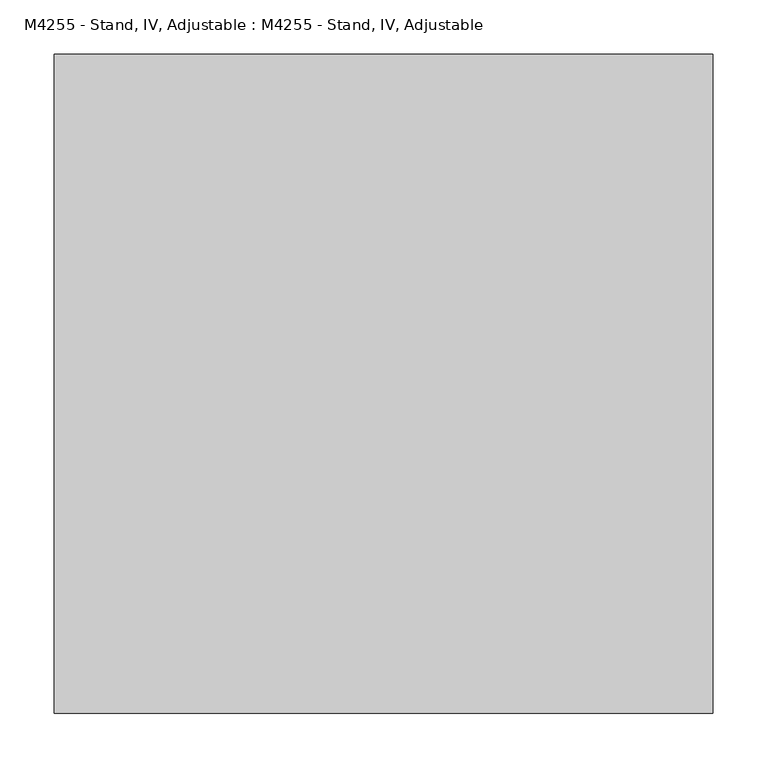
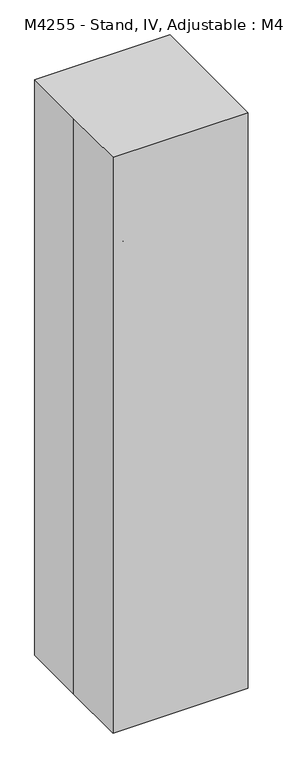
"""IFC4 building model written with IfcOpenShell, lengths in millimetres: proxy geometry, M4255 - Stand, IV, Adjustable : M4255 - Stand, IV, Adjustable."""

import ifcopenshell
import ifcopenshell.guid

model = None  # the IFC model being written
_history = None  # IfcOwnerHistory: only IFC2X3 demands one
_inside = {}  # id of a spatial element -> (the spatial element, [elements in it])
_under = {}  # id of a project, library or spatial element -> (it, [spatial elements below it])
_declared = {}  # id of a project -> (the project, [libraries it declares])
_typed = {}  # id of a type object -> (the type object, [elements of that type])
_made_of = {}  # id of a material, layer set ... -> (it, [elements and type objects made of it])


def new_model(schema):
    """Start an empty IFC model of exactly this schema.

    Asked for "IFC4X3", IfcOpenShell would pick the latest addendum, in which some entities
    have other attributes; the version numbers below select the first issue.
    IFC2X3 requires an IfcOwnerHistory on every rooted entity: one is made here for all.
    """
    global model, _history
    if schema == "IFC4X3":
        model = ifcopenshell.file(schema_version=(4, 3, 0, 0))
    else:
        model = ifcopenshell.file(schema=schema)
    _inside.clear()
    _under.clear()
    _declared.clear()
    _typed.clear()
    _made_of.clear()
    _history = None
    if model.schema == "IFC2X3":
        org = make("IfcOrganization", Name="unknown")
        user = make(
            "IfcPersonAndOrganization",
            ThePerson=make("IfcPerson", FamilyName="unknown"),
            TheOrganization=org,
        )
        app = make(
            "IfcApplication",
            ApplicationDeveloper=org,
            Version="unknown",
            ApplicationFullName="unknown",
            ApplicationIdentifier="unknown",
        )
        _history = make(
            "IfcOwnerHistory",
            OwningUser=user,
            OwningApplication=app,
            ChangeAction="ADDED",
            CreationDate=0,
        )
    return model


def make(cls, **values):
    """One entity of the class cls with the attributes given. An attribute that is None is left unset."""
    return model.create_entity(
        cls, **{name: value for name, value in values.items() if value is not None}
    )


def rooted(cls, **values):
    """An entity with a GlobalId (a new one), such as an element, a storey or a relation."""
    return make(cls, GlobalId=ifcopenshell.guid.new(), OwnerHistory=_history, **values)


def si_unit(unit_type, name, prefix=None):
    """IfcSIUnit, for example si_unit("LENGTHUNIT", "METRE", prefix="MILLI")."""
    return make("IfcSIUnit", UnitType=unit_type, Prefix=prefix, Name=name)


def assignment(units):
    """IfcUnitAssignment: the units of a project."""
    return None if units is None else make("IfcUnitAssignment", Units=units)


def point(xyz):
    """IfcCartesianPoint."""
    return None if xyz is None else make("IfcCartesianPoint", Coordinates=xyz)


def direction(xyz):
    """IfcDirection."""
    return None if xyz is None else make("IfcDirection", DirectionRatios=xyz)


def frame(location, z_axis=None, x_axis=None):
    """IfcAxis2Placement3D, a coordinate frame: its origin and axes. An axis left out is left unset."""
    return make(
        "IfcAxis2Placement3D",
        Location=point(location),
        Axis=direction(z_axis),
        RefDirection=direction(x_axis),
    )


def frame_2d(location, x_axis=None):
    """IfcAxis2Placement2D, a coordinate frame in the plane: its origin and x axis."""
    return make(
        "IfcAxis2Placement2D", Location=point(location), RefDirection=direction(x_axis)
    )


def origin():
    """The frame at (0, 0, 0) with its axes left unset."""
    return frame((0.0, 0.0, 0.0))


def origin_with_axes():
    """The frame at (0, 0, 0) with the z axis (0, 0, 1) and the x axis (1, 0, 0) written out."""
    return frame((0.0, 0.0, 0.0), z_axis=(0.0, 0.0, 1.0), x_axis=(1.0, 0.0, 0.0))


def origin_2d():
    """The frame at (0, 0) in the plane with its x axis left unset."""
    return frame_2d((0.0, 0.0))


def place(relative_to, where):
    """IfcLocalPlacement: puts the frame where relative to a parent placement (None: the world)."""
    return make(
        "IfcLocalPlacement", PlacementRelTo=relative_to, RelativePlacement=where
    )


def context(
    kind, dimensions, precision=None, world=None, true_north=None, identifier=None
):
    """IfcGeometricRepresentationContext, for example the 3D "Model" context."""
    return make(
        "IfcGeometricRepresentationContext",
        ContextIdentifier=identifier,
        ContextType=kind,
        CoordinateSpaceDimension=dimensions,
        Precision=precision,
        WorldCoordinateSystem=world,
        TrueNorth=true_north,
    )


def project(units=None, contexts=None):
    """IfcProject with its units and contexts."""
    return rooted(
        "IfcProject",
        Name="project",
        RepresentationContexts=contexts,
        UnitsInContext=assignment(units),
    )


def spatial(cls, under=None, at=None, **own):
    """A site, building, storey or space (cls), placed at a placement, below another one or the project."""
    s = rooted(cls, ObjectPlacement=at, **own)
    if under is not None:
        _under.setdefault(under.id(), (under, []))[1].append(s)
    return s


def polyline(points):
    """IfcPolyline through the points."""
    return make("IfcPolyline", Points=[point(p) for p in points])


def circle_curve(where, radius):
    """IfcCircle in the frame where."""
    return make("IfcCircle", Position=where, Radius=radius)


def ellipse_curve(where, semi_axis1, semi_axis2):
    """IfcEllipse in the frame where."""
    return make(
        "IfcEllipse", Position=where, SemiAxis1=semi_axis1, SemiAxis2=semi_axis2
    )


def trimmed(basis, trim1, trim2, sense, master):
    """IfcTrimmedCurve: the piece of a basis curve between two trims."""
    return make(
        "IfcTrimmedCurve",
        BasisCurve=basis,
        Trim1=trim1,
        Trim2=trim2,
        SenseAgreement=sense,
        MasterRepresentation=master,
    )


def segment(curve, same_sense, transition):
    """IfcCompositeCurveSegment."""
    return make(
        "IfcCompositeCurveSegment",
        Transition=transition,
        SameSense=same_sense,
        ParentCurve=curve,
    )


def composite_curve(segments, self_intersect=None):
    """IfcCompositeCurve: segments joined end to end."""
    return make("IfcCompositeCurve", Segments=segments, SelfIntersect=self_intersect)


def outline(outer, holes=None, kind="AREA"):
    """IfcArbitraryClosedProfileDef: a profile drawn as a closed curve; with holes, ...WithVoids."""
    if holes is None:
        return make("IfcArbitraryClosedProfileDef", ProfileType=kind, OuterCurve=outer)
    return make(
        "IfcArbitraryProfileDefWithVoids",
        ProfileType=kind,
        OuterCurve=outer,
        InnerCurves=holes,
    )


def extrude(swept, where, along, depth):
    """IfcExtrudedAreaSolid: the profile swept, set in the frame where, extruded along a direction by depth."""
    return make(
        "IfcExtrudedAreaSolid",
        SweptArea=swept,
        Position=where,
        ExtrudedDirection=direction(along),
        Depth=depth,
    )


def shape(context_of_items, identifier, shape_type, items):
    """IfcShapeRepresentation: the items that make up one representation, for example the "Body"."""
    return make(
        "IfcShapeRepresentation",
        ContextOfItems=context_of_items,
        RepresentationIdentifier=identifier,
        RepresentationType=shape_type,
        Items=items,
    )


def source(mapping_origin, context_of_items, identifier, shape_type, items):
    """IfcRepresentationMap: a shape defined once, which mapped items show again and again."""
    return make(
        "IfcRepresentationMap",
        MappingOrigin=mapping_origin,
        MappedRepresentation=shape(context_of_items, identifier, shape_type, items),
    )


def transform(
    local_origin,
    x_axis=None,
    y_axis=None,
    z_axis=None,
    scale=None,
    scale2=None,
    scale3=None,
    uniform=True,
):
    """IfcCartesianTransformationOperator3D, or its non-uniform kind. x_axis, y_axis, z_axis: its Axis1, 2, 3."""
    if uniform:
        return make(
            "IfcCartesianTransformationOperator3D",
            Axis1=direction(x_axis),
            Axis2=direction(y_axis),
            LocalOrigin=point(local_origin),
            Scale=scale,
            Axis3=direction(z_axis),
        )
    return make(
        "IfcCartesianTransformationOperator3DnonUniform",
        Axis1=direction(x_axis),
        Axis2=direction(y_axis),
        LocalOrigin=point(local_origin),
        Scale=scale,
        Axis3=direction(z_axis),
        Scale2=scale2,
        Scale3=scale3,
    )


def mapped(mapping_source, mapping_target):
    """IfcMappedItem: shows the shape of a source again, moved by a transform."""
    return make(
        "IfcMappedItem", MappingSource=mapping_source, MappingTarget=mapping_target
    )


def made_of(thing, what):
    """Note that an element or type object is made of a material, layer set ...; save() writes the relation."""
    if what is not None:
        _made_of.setdefault(what.id(), (what, []))[1].append(thing)
    return thing


def element(
    cls,
    number,
    at=None,
    inside=None,
    cuts=None,
    type_object=None,
    material=None,
    context=None,
    identifier="Body",
    shape_type=None,
    held_by="IfcProductDefinitionShape",
    body=None,
    shapes=None,
    **own,
):
    """One element of the class cls, such as IfcWall. Its Tag is "e" and its number.

    at: its placement. inside: the storey or other place that contains it. cuts: it is an
    opening in that element (IfcRelVoidsElement). A single representation is given by context,
    identifier, shape_type and body (its items); several are given by shapes. held_by: the class
    of the entity that holds the representations. save() writes the other relations.
    """
    e = rooted(cls, Tag="e%d" % number, ObjectPlacement=at, **own)
    if body is not None:
        shapes = [shape(context, identifier, shape_type, body)]
    if shapes is not None:
        e.Representation = make(held_by, Representations=shapes)
    if inside is not None:
        _inside.setdefault(inside.id(), (inside, []))[1].append(e)
    if cuts is not None:
        rooted(
            "IfcRelVoidsElement", RelatingBuildingElement=cuts, RelatedOpeningElement=e
        )
    if type_object is not None:
        _typed.setdefault(type_object.id(), (type_object, []))[1].append(e)
    return made_of(e, material)


def aggregate(whole, parts):
    """IfcRelAggregates: a whole, such as a stair, and the parts it consists of."""
    return rooted("IfcRelAggregates", RelatingObject=whole, RelatedObjects=parts)


def save(model, path):
    """Write the relations noted so far, then the file.

    IfcRelAggregates (storeys below a building ...), IfcRelContainedInSpatialStructure (elements
    in a storey), IfcRelDefinesByType, IfcRelAssociatesMaterial and IfcRelDeclares: one each for
    every whole, place, type object, material and project.
    """
    for whole, parts in _under.values():
        aggregate(whole, parts)
    for where, things in _inside.values():
        rooted(
            "IfcRelContainedInSpatialStructure",
            RelatedElements=things,
            RelatingStructure=where,
        )
    for kind, things in _typed.values():
        rooted("IfcRelDefinesByType", RelatedObjects=things, RelatingType=kind)
    for what, things in _made_of.values():
        rooted("IfcRelAssociatesMaterial", RelatedObjects=things, RelatingMaterial=what)
    for by, libraries in _declared.values():
        rooted("IfcRelDeclares", RelatingContext=by, RelatedDefinitions=libraries)
    model.write(path)


def plane_surface(at):
    """IfcPlane: the flat surface through the origin of the frame at, square to its z axis."""
    return make("IfcPlane", Position=at)


def cylinder_surface(at, radius):
    """IfcCylindricalSurface: all points at the distance radius from the z axis of the frame at."""
    return make("IfcCylindricalSurface", Position=at, Radius=radius)


def revolved_surface(curve, axis_point, axis_direction):
    """IfcSurfaceOfRevolution: the curve turned about the line through axis_point along axis_direction."""
    return make(
        "IfcSurfaceOfRevolution",
        SweptCurve=make("IfcArbitraryOpenProfileDef", ProfileType="CURVE", Curve=curve),
        AxisPosition=make("IfcAxis1Placement", Location=point(axis_point), Axis=direction(axis_direction)),
    )


def advanced_brep(points, edges, surfaces, faces):
    """IfcAdvancedBrep: a solid bounded by faces that lie on surfaces and meet in shared edges.

    An edge is (start, end): straight between two places in points (the first is 0);
    or (start, end, curve); or (start, end, curve, False) where it runs against its curve.
    A face is (place in surfaces, loops), or (place, loops, False) where it looks against
    its surface's normal. A loop lists edges by number (the first is 1), with a minus sign
    where the edge is run from its end to its start. The first loop is the outer one.
    """
    corners = [point(p) for p in points]
    vertices = [make("IfcVertexPoint", VertexGeometry=c) for c in corners]
    made = []
    for start, end, *more in edges:
        made.append(
            make(
                "IfcEdgeCurve",
                EdgeStart=vertices[start],
                EdgeEnd=vertices[end],
                EdgeGeometry=more[0] if more else make("IfcPolyline", Points=[corners[start], corners[end]]),
                SameSense=more[1] if len(more) > 1 else True,
            )
        )
    hull = []
    for where, loops, *sense in faces:
        bounds = []
        for j, loop in enumerate(loops):
            ring = [make("IfcOrientedEdge", EdgeElement=made[abs(k) - 1], Orientation=k > 0) for k in loop]
            bounds.append(
                make(
                    "IfcFaceOuterBound" if j == 0 else "IfcFaceBound",
                    Bound=make("IfcEdgeLoop", EdgeList=ring),
                    Orientation=True,
                )
            )
        hull.append(make("IfcAdvancedFace", Bounds=bounds, FaceSurface=surfaces[where], SameSense=sense[0] if sense else True))
    return make("IfcAdvancedBrep", Outer=make("IfcClosedShell", CfsFaces=hull))


def m4255_stand_iv_adjustable_m4255_stand_iv_adjustable_63ed0e32(model_context):
    return source(origin(), model_context, "Body", "SolidModel", [
        extrude(outline(composite_curve([segment(trimmed(circle_curve(frame_2d((25.4, -203.0677083)), 25.4), [point((25.4, -177.6677083))], [point((25.4, -228.4677083))], False, "CARTESIAN"), True, "CONTINUOUS"), segment(trimmed(circle_curve(frame_2d((25.4, -203.0677083)), 25.4), [point((25.4, -228.4677083))], [point((25.4, -177.6677083))], False, "CARTESIAN"), True, "CONTINUOUS")], self_intersect=False)), frame((0.0, -19.05, 0.0), z_axis=(0.0, 1.0, 0.0), x_axis=(0.0, 0.0, 1.0)), (0.0, 0.0, 1.0), 9.525),
        extrude(outline(composite_curve([segment(trimmed(circle_curve(frame_2d((25.4, -203.0677083)), 25.4), [point((25.4, -177.6677083))], [point((25.4, -228.4677083))], False, "CARTESIAN"), True, "CONTINUOUS"), segment(trimmed(circle_curve(frame_2d((25.4, -203.0677083)), 25.4), [point((25.4, -228.4677083))], [point((25.4, -177.6677083))], False, "CARTESIAN"), True, "CONTINUOUS")], self_intersect=False)), frame((0.0, 9.525, 0.0), z_axis=(0.0, 1.0, 0.0), x_axis=(0.0, 0.0, 1.0)), (0.0, 0.0, 1.0), 9.525),
        extrude(outline(composite_curve([segment(trimmed(circle_curve(frame_2d((-203.0677083, 25.4)), 25.4), [point((-228.4677083, 25.4))], [point((-177.6677083, 25.4))], False, "CARTESIAN"), True, "CONTINUOUS"), segment(trimmed(circle_curve(frame_2d((-203.0677083, 25.4)), 25.4), [point((-177.6677083, 25.4))], [point((-228.4677083, 25.4))], False, "CARTESIAN"), True, "CONTINUOUS")], self_intersect=False)), frame((9.525, 0.0, 0.0), z_axis=(1.0, 0.0, 0.0), x_axis=(0.0, 1.0, 0.0)), (0.0, 0.0, 1.0), 9.525),
        extrude(outline(composite_curve([segment(trimmed(circle_curve(frame_2d((-203.0677083, 25.4)), 25.4), [point((-177.6677083, 25.4))], [point((-228.4677083, 25.4))], False, "CARTESIAN"), True, "CONTINUOUS"), segment(trimmed(circle_curve(frame_2d((-203.0677083, 25.4)), 25.4), [point((-228.4677083, 25.4))], [point((-177.6677083, 25.4))], False, "CARTESIAN"), True, "CONTINUOUS")], self_intersect=False)), frame((-19.05, 0.0, 0.0), z_axis=(1.0, 0.0, 0.0), x_axis=(0.0, 1.0, 0.0)), (0.0, 0.0, 1.0), 9.525),
        extrude(outline(composite_curve([segment(trimmed(circle_curve(frame_2d((25.4, 203.2661458)), 25.4), [point((25.4, 228.6661458))], [point((25.4, 177.8661458))], False, "CARTESIAN"), True, "CONTINUOUS"), segment(trimmed(circle_curve(frame_2d((25.4, 203.2661458)), 25.4), [point((25.4, 177.8661458))], [point((25.4, 228.6661458))], False, "CARTESIAN"), True, "CONTINUOUS")], self_intersect=False)), frame((0.0, 9.525, 0.0), z_axis=(0.0, 1.0, 0.0), x_axis=(0.0, 0.0, 1.0)), (0.0, 0.0, 1.0), 9.525),
        extrude(outline(composite_curve([segment(trimmed(circle_curve(frame_2d((25.4, 203.2661458)), 25.4), [point((25.4, 177.8661458))], [point((25.4, 228.6661458))], False, "CARTESIAN"), True, "CONTINUOUS"), segment(trimmed(circle_curve(frame_2d((25.4, 203.2661458)), 25.4), [point((25.4, 228.6661458))], [point((25.4, 177.8661458))], False, "CARTESIAN"), True, "CONTINUOUS")], self_intersect=False)), frame((0.0, -19.05, 0.0), z_axis=(0.0, 1.0, 0.0), x_axis=(0.0, 0.0, 1.0)), (0.0, 0.0, 1.0), 9.525),
        extrude(outline(composite_curve([segment(trimmed(circle_curve(frame_2d((0.0, -211.534375)), 8.4666667), [point((-8.4666667, -211.534375))], [point((8.4666667, -211.534375))], False, "CARTESIAN"), True, "CONTINUOUS"), segment(trimmed(circle_curve(frame_2d((0.0, -211.534375)), 8.4666667), [point((8.4666667, -211.534375))], [point((-8.4666667, -211.534375))], False, "CARTESIAN"), True, "CONTINUOUS")], self_intersect=False)), frame((0.0, 0.0, 25.4), z_axis=(0.0, 0.0, 1.0), x_axis=(1.0, 0.0, 0.0)), (0.0, 0.0, 1.0), 25.4),
        extrude(outline(composite_curve([segment(trimmed(circle_curve(frame_2d((-203.0677083, 25.4)), 16.9333333), [point((-186.134375, 25.4))], [point((-220.0010417, 25.4))], False, "CARTESIAN"), True, "CONTINUOUS"), segment(trimmed(circle_curve(frame_2d((-203.0677083, 25.4)), 16.9333333), [point((-220.0010417, 25.4))], [point((-186.134375, 25.4))], False, "CARTESIAN"), True, "CONTINUOUS")], self_intersect=False)), frame((-9.525, 0.0, 0.0), z_axis=(1.0, 0.0, 0.0), x_axis=(0.0, 1.0, 0.0)), (0.0, 0.0, 1.0), 19.05),
        extrude(outline(composite_curve([segment(trimmed(circle_curve(frame_2d((211.7328125, 0.0)), 8.4666667), [point((211.7328125, -8.4666667))], [point((211.7328125, 8.4666667))], False, "CARTESIAN"), True, "CONTINUOUS"), segment(trimmed(circle_curve(frame_2d((211.7328125, 0.0)), 8.4666667), [point((211.7328125, 8.4666667))], [point((211.7328125, -8.4666667))], False, "CARTESIAN"), True, "CONTINUOUS")], self_intersect=False)), frame((0.0, 0.0, 25.4), z_axis=(0.0, 0.0, 1.0), x_axis=(1.0, 0.0, 0.0)), (0.0, 0.0, 1.0), 25.4),
        extrude(outline(composite_curve([segment(trimmed(circle_curve(frame_2d((25.4, 203.2661458)), 16.9333333), [point((25.4, 186.3328125))], [point((25.4, 220.1994792))], False, "CARTESIAN"), True, "CONTINUOUS"), segment(trimmed(circle_curve(frame_2d((25.4, 203.2661458)), 16.9333333), [point((25.4, 220.1994792))], [point((25.4, 186.3328125))], False, "CARTESIAN"), True, "CONTINUOUS")], self_intersect=False)), frame((0.0, -9.525, 0.0), z_axis=(0.0, 1.0, 0.0), x_axis=(0.0, 0.0, 1.0)), (0.0, 0.0, 1.0), 19.05),
        extrude(outline(composite_curve([segment(trimmed(circle_curve(frame_2d((-211.534375, 0.0)), 8.4666667), [point((-211.534375, 8.4666667))], [point((-211.534375, -8.4666667))], False, "CARTESIAN"), True, "CONTINUOUS"), segment(trimmed(circle_curve(frame_2d((-211.534375, 0.0)), 8.4666667), [point((-211.534375, -8.4666667))], [point((-211.534375, 8.4666667))], False, "CARTESIAN"), True, "CONTINUOUS")], self_intersect=False)), frame((0.0, 0.0, 25.4), z_axis=(0.0, 0.0, 1.0), x_axis=(1.0, 0.0, 0.0)), (0.0, 0.0, 1.0), 25.4),
        extrude(outline(composite_curve([segment(trimmed(circle_curve(frame_2d((25.4, -203.0677083)), 16.9333333), [point((25.4, -186.134375))], [point((25.4, -220.0010417))], False, "CARTESIAN"), True, "CONTINUOUS"), segment(trimmed(circle_curve(frame_2d((25.4, -203.0677083)), 16.9333333), [point((25.4, -220.0010417))], [point((25.4, -186.134375))], False, "CARTESIAN"), True, "CONTINUOUS")], self_intersect=False)), frame((0.0, -9.525, 0.0), z_axis=(0.0, 1.0, 0.0), x_axis=(0.0, 0.0, 1.0)), (0.0, 0.0, 1.0), 19.05),
        extrude(outline(composite_curve([segment(trimmed(circle_curve(frame_2d((203.2165365, 25.4)), 25.4), [point((177.8165365, 25.4))], [point((228.6165365, 25.4))], False, "CARTESIAN"), True, "CONTINUOUS"), segment(trimmed(circle_curve(frame_2d((203.2165365, 25.4)), 25.4), [point((228.6165365, 25.4))], [point((177.8165365, 25.4))], False, "CARTESIAN"), True, "CONTINUOUS")], self_intersect=False)), frame((-19.05, 0.0, 0.0), z_axis=(1.0, 0.0, 0.0), x_axis=(0.0, 1.0, 0.0)), (0.0, 0.0, 1.0), 9.525),
        extrude(outline(composite_curve([segment(trimmed(circle_curve(frame_2d((203.2165365, 25.4)), 25.4), [point((177.8165365, 25.4))], [point((228.6165365, 25.4))], False, "CARTESIAN"), True, "CONTINUOUS"), segment(trimmed(circle_curve(frame_2d((203.2165365, 25.4)), 25.4), [point((228.6165365, 25.4))], [point((177.8165365, 25.4))], False, "CARTESIAN"), True, "CONTINUOUS")], self_intersect=False)), frame((9.525, 0.0, 0.0), z_axis=(1.0, 0.0, 0.0), x_axis=(0.0, 1.0, 0.0)), (0.0, 0.0, 1.0), 9.525),
        extrude(outline(composite_curve([segment(trimmed(circle_curve(frame_2d((0.0, 211.6832031)), 8.4666667), [point((8.4666667, 211.6832031))], [point((-8.4666667, 211.6832031))], False, "CARTESIAN"), True, "CONTINUOUS"), segment(trimmed(circle_curve(frame_2d((0.0, 211.6832031)), 8.4666667), [point((-8.4666667, 211.6832031))], [point((8.4666667, 211.6832031))], False, "CARTESIAN"), True, "CONTINUOUS")], self_intersect=False)), frame((0.0, 0.0, 25.4), z_axis=(0.0, 0.0, 1.0), x_axis=(1.0, 0.0, 0.0)), (0.0, 0.0, 1.0), 25.4),
        extrude(outline(composite_curve([segment(trimmed(circle_curve(frame_2d((203.2165365, 25.4)), 16.9333333), [point((186.2832031, 25.4))], [point((220.1498698, 25.4))], False, "CARTESIAN"), True, "CONTINUOUS"), segment(trimmed(circle_curve(frame_2d((203.2165365, 25.4)), 16.9333333), [point((220.1498698, 25.4))], [point((186.2832031, 25.4))], False, "CARTESIAN"), True, "CONTINUOUS")], self_intersect=False)), frame((-9.525, 0.0, 0.0), z_axis=(1.0, 0.0, 0.0), x_axis=(0.0, 1.0, 0.0)), (0.0, 0.0, 1.0), 19.05),
        extrude(outline(polyline([(228.6, 63.5), (228.6, 50.8), (193.8216772, 50.8), (45.6550105, 12.7), (-45.6550105, 12.7), (-193.8216772, 50.8), (-228.6, 50.8), (-228.6, 63.5), (-192.6166667, 63.5), (-44.45, 25.4), (44.45, 25.4), (192.6166667, 63.5), (228.6, 63.5)])), frame((-19.05, 0.0, 0.0), z_axis=(1.0, 0.0, 0.0), x_axis=(0.0, 1.0, 0.0)), (0.0, 0.0, 1.0), 38.1),
        extrude(outline(composite_curve([segment(trimmed(circle_curve(origin_2d(), 12.7), [point((-12.7, 0.0))], [point((12.7, 0.0))], False, "CARTESIAN"), True, "CONTINUOUS"), segment(trimmed(circle_curve(origin_2d(), 12.7), [point((12.7, 0.0))], [point((-12.7, 0.0))], False, "CARTESIAN"), True, "CONTINUOUS")], self_intersect=False)), frame((0.0, 0.0, 12.7), z_axis=(0.0, 0.0, 1.0), x_axis=(1.0, 0.0, 0.0)), (0.0, 0.0, 1.0), 1473.2),
        extrude(outline(polyline([(63.5, -228.6), (50.8, -228.6), (50.8, -193.8216772), (12.7, -45.6550105), (12.7, 45.6550105), (50.8, 193.8216772), (50.8, 228.6), (63.5, 228.6), (63.5, 192.6166667), (25.4, 44.45), (25.4, -44.45), (63.5, -192.6166667), (63.5, -228.6)])), frame((0.0, -19.05, 0.0), z_axis=(0.0, 1.0, 0.0), x_axis=(0.0, 0.0, 1.0)), (0.0, 0.0, 1.0), 38.1),
        extrude(outline(composite_curve([segment(trimmed(circle_curve(origin_2d(), 6.35), [point((-6.35, 0.0))], [point((6.35, 0.0))], False, "CARTESIAN"), True, "CONTINUOUS"), segment(trimmed(circle_curve(origin_2d(), 6.35), [point((6.35, 0.0))], [point((-6.35, 0.0))], False, "CARTESIAN"), True, "CONTINUOUS")], self_intersect=False)), frame((0.0, 0.0, 1485.9), z_axis=(0.0, 0.0, 1.0), x_axis=(1.0, 0.0, 0.0)), (0.0, 0.0, 1.0), 495.3),
        advanced_brep(
        [(0.0, -117.4754217, 1962.0563468), (0.0, -111.8996536, 1954.3338837), (0.0, -129.4777585, 1941.6421511), (0.0, -135.0535266, 1949.3646141), (0.0, -139.7, 1973.2625), (0.0, -139.7, 1963.7375), (0.0, 139.7, 1973.2625), (0.0, 139.7, 1963.7375), (0.0, 129.4777585, 1941.6421511), (0.0, 135.0535266, 1949.3646141), (0.0, 117.4754217, 1962.0563468), (0.0, 111.8996536, 1954.3338837)],
        [
            (0, 1, circle_curve(frame((0.0, -114.6875376, 1958.1951153), z_axis=(0.0, 0.8107572744902805, 0.5853824748496423), x_axis=(0.0, 0.5853824748496423, -0.8107572744902805)), 4.7625)),
            (1, 0, circle_curve(frame((0.0, -114.6875376, 1958.1951153), z_axis=(0.0, 0.8107572744902805, 0.5853824748496423), x_axis=(0.0, 0.5853824748496423, -0.8107572744902805)), 4.7625)),
            (1, 2),
            (2, 3, circle_curve(frame((0.0, -132.2656426, 1945.5033826), z_axis=(0.0, 0.8107572744902805, 0.5853824748496423), x_axis=(0.0, 0.5853824748496423, -0.8107572744902805)), 4.7625)),
            (3, 0),
            (3, 2, circle_curve(frame((0.0, -132.2656426, 1945.5033826), z_axis=(0.0, 0.8107572744902805, 0.5853824748496423), x_axis=(0.0, 0.5853824748496423, -0.8107572744902805)), 4.7625)),
            (4, 5, circle_curve(frame((0.0, -139.7, 1968.5), z_axis=(0.0, -1.0, 0.0), x_axis=(0.0, 0.0, 1.0)), 4.7625)),
            (5, 3, circle_curve(frame((0.0, -139.7, 1955.8), z_axis=(1.0, 0.0, 0.0), x_axis=(0.0, 0.5853824748496388, -0.810757274490283)), 7.9375)),
            (2, 4, circle_curve(frame((0.0, -139.7, 1955.8), z_axis=(-1.0, 0.0, 0.0), x_axis=(0.0, 0.5853824748496388, -0.810757274490283)), 17.4625)),
            (5, 4, circle_curve(frame((0.0, -139.7, 1968.5), z_axis=(0.0, -1.0, 0.0), x_axis=(0.0, 0.0, 1.0)), 4.7625)),
            (4, 6),
            (6, 7, circle_curve(frame((0.0, 139.7, 1968.5), z_axis=(0.0, -1.0, 0.0), x_axis=(0.0, 0.0, 1.0)), 4.7625)),
            (7, 5),
            (7, 6, circle_curve(frame((0.0, 139.7, 1968.5), z_axis=(0.0, -1.0, 0.0), x_axis=(0.0, 0.0, 1.0)), 4.7625)),
            (8, 9, circle_curve(frame((0.0, 132.2656426, 1945.5033826), z_axis=(0.0, 0.8107572744895695, -0.5853824748506269), x_axis=(0.0, -0.5853824748506269, -0.8107572744895695)), 4.7625)),
            (9, 7, circle_curve(frame((0.0, 139.7, 1955.8), z_axis=(1.0, 0.0, 0.0), x_axis=(0.0, 0.0, 1.0)), 7.9375)),
            (6, 8, circle_curve(frame((0.0, 139.7, 1955.8), z_axis=(-1.0, 0.0, 0.0), x_axis=(0.0, 0.0, 1.0)), 17.4625)),
            (9, 8, circle_curve(frame((0.0, 132.2656426, 1945.5033826), z_axis=(0.0, 0.810757274490613, -0.5853824748491816), x_axis=(0.0, -0.5853824748491816, -0.810757274490613)), 4.7625)),
            (10, 11, circle_curve(frame((0.0, 114.6875376, 1958.1951153), z_axis=(0.0, -0.8107572744898955, 0.5853824748501754), x_axis=(0.0, -0.5853824748501754, -0.8107572744898955)), 4.7625)),
            (11, 10, circle_curve(frame((0.0, 114.6875376, 1958.1951153), z_axis=(0.0, -0.8107572744898955, 0.5853824748501754), x_axis=(0.0, -0.5853824748501754, -0.8107572744898955)), 4.7625)),
            (8, 11),
            (10, 9),
        ],
        [
            plane_surface(frame((266.7, -114.6875376, 1958.1951153), z_axis=(0.0, 0.8107572744902805, 0.5853824748496423), x_axis=(-1.0, 0.0, 0.0))),
            cylinder_surface(frame((0.0, -114.6875376, 1958.1951153), z_axis=(0.0, 0.8107572744902805, 0.5853824748496423), x_axis=(0.0, 0.5853824748496423, -0.8107572744902805)), 4.7625),
            revolved_surface(trimmed(ellipse_curve(frame((0.0, -132.2656426, 1945.5033826), z_axis=(0.0, -0.810757274490283, -0.5853824748496388), x_axis=(0.0, 0.5853824748496388, -0.810757274490283)), 4.7625, 4.7625), [point((0.0, -135.0535266, 1949.3646141))], [point((0.0, -129.4777585, 1941.6421511))], True, "CARTESIAN"), (266.7, -139.7, 1955.8), (1.0, 0.0, 0.0)),
            revolved_surface(trimmed(ellipse_curve(frame((0.0, -132.2656426, 1945.5033826), z_axis=(0.0, -0.810757274490283, -0.5853824748496388), x_axis=(0.0, 0.5853824748496388, -0.810757274490283)), 4.7625, 4.7625), [point((0.0, -129.4777585, 1941.6421511))], [point((0.0, -135.0535266, 1949.3646141))], True, "CARTESIAN"), (266.7, -139.7, 1955.8), (1.0, 0.0, 0.0)),
            cylinder_surface(frame((0.0, -139.7, 1968.5), z_axis=(0.0, -1.0, 0.0), x_axis=(0.0, 0.0, 1.0)), 4.7625),
            revolved_surface(trimmed(ellipse_curve(frame((0.0, 139.7, 1968.5), z_axis=(0.0, 1.0, 0.0), x_axis=(0.0, 0.0, 1.0)), 4.7625, 4.7625), [point((0.0, 139.7, 1963.7375))], [point((0.0, 139.7, 1973.2625))], True, "CARTESIAN"), (266.7, 139.7, 1955.8), (1.0, 0.0, 0.0)),
            revolved_surface(trimmed(ellipse_curve(frame((0.0, 139.7, 1968.5), z_axis=(0.0, 1.0, 0.0), x_axis=(0.0, 0.0, 1.0)), 4.7625, 4.7625), [point((0.0, 139.7, 1973.2625))], [point((0.0, 139.7, 1963.7375))], True, "CARTESIAN"), (266.7, 139.7, 1955.8), (1.0, 0.0, 0.0)),
            plane_surface(frame((266.7, 114.6875376, 1958.1951153), z_axis=(0.0, -0.8107572744898955, 0.5853824748501754), x_axis=(-1.0, 0.0, 0.0))),
            cylinder_surface(frame((0.0, 132.2656426, 1945.5033826), z_axis=(0.0, 0.8107572744898955, -0.5853824748501754), x_axis=(0.0, -0.5853824748501754, -0.8107572744898955)), 4.7625),
        ],
        [
            (0, [[1, 2]]),
            (1, [[3, 4, 5, -2]]),
            (1, [[-5, 6, -3, -1]]),
            (2, [[7, 8, -4, 9]]),
            (3, [[10, -9, -6, -8]]),
            (4, [[11, 12, 13, -7]]),
            (4, [[-13, 14, -11, -10]]),
            (5, [[15, 16, -12, 17]]),
            (6, [[18, -17, -14, -16]]),
            (7, [[19, 20]]),
            (8, [[21, -19, 22, -15]]),
            (8, [[-22, -20, -21, -18]]),
        ],
    ),
        advanced_brep(
        [(-117.4754217, 0.0, 1962.0563468), (-111.8996536, 0.0, 1954.3338837), (-129.4777585, 0.0, 1941.6421511), (-135.0535266, 0.0, 1949.3646141), (-139.7, 0.0, 1973.2625), (-139.7, 0.0, 1963.7375), (139.7, 0.0, 1973.2625), (139.7, 0.0, 1963.7375), (129.4777585, 0.0, 1941.6421511), (135.0535266, 0.0, 1949.3646141), (117.4754217, 0.0, 1962.0563468), (111.8996536, 0.0, 1954.3338837)],
        [
            (0, 1, circle_curve(frame((-114.6875376, 0.0, 1958.1951153), z_axis=(0.810757274490287, 0.0, 0.5853824748496333), x_axis=(0.5853824748496333, 0.0, -0.810757274490287)), 4.7625)),
            (1, 0, circle_curve(frame((-114.6875376, 0.0, 1958.1951153), z_axis=(0.810757274490287, 0.0, 0.5853824748496333), x_axis=(0.5853824748496333, 0.0, -0.810757274490287)), 4.7625)),
            (1, 2),
            (2, 3, circle_curve(frame((-132.2656426, 0.0, 1945.5033826), z_axis=(0.810757274490287, 0.0, 0.5853824748496333), x_axis=(0.5853824748496333, 0.0, -0.810757274490287)), 4.7625)),
            (3, 0),
            (3, 2, circle_curve(frame((-132.2656426, 0.0, 1945.5033826), z_axis=(0.810757274490287, 0.0, 0.5853824748496333), x_axis=(0.5853824748496333, 0.0, -0.810757274490287)), 4.7625)),
            (4, 5, circle_curve(frame((-139.7, 0.0, 1968.5), z_axis=(-0.9999999999999999, 0.0, 0.0), x_axis=(0.0, 0.0, 0.9999999999999999)), 4.7625)),
            (5, 3, circle_curve(frame((-139.7, 0.0, 1955.8), z_axis=(0.0, -1.0, 0.0), x_axis=(0.5853824748496308, 0.0, -0.8107572744902887)), 7.9375)),
            (2, 4, circle_curve(frame((-139.7, 0.0, 1955.8), z_axis=(0.0, 1.0, 0.0), x_axis=(0.5853824748496308, 0.0, -0.8107572744902887)), 17.4625)),
            (5, 4, circle_curve(frame((-139.7, 0.0, 1968.5), z_axis=(-0.9999999999999999, 0.0, 0.0), x_axis=(0.0, 0.0, 0.9999999999999999)), 4.7625)),
            (4, 6),
            (6, 7, circle_curve(frame((139.7, 0.0, 1968.5), z_axis=(-1.0, 0.0, 0.0), x_axis=(0.0, 0.0, 1.0)), 4.7625)),
            (7, 5),
            (7, 6, circle_curve(frame((139.7, 0.0, 1968.5), z_axis=(-1.0, 0.0, 0.0), x_axis=(0.0, 0.0, 1.0)), 4.7625)),
            (8, 9, circle_curve(frame((132.2656426, 0.0, 1945.5033826), z_axis=(0.8107572744898995, 0.0, -0.5853824748501698), x_axis=(-0.5853824748501698, 0.0, -0.8107572744898995)), 4.7625)),
            (9, 7, circle_curve(frame((139.7, 0.0, 1955.8), z_axis=(0.0, -1.0, 0.0), x_axis=(0.0, 0.0, 1.0)), 7.9375)),
            (6, 8, circle_curve(frame((139.7, 0.0, 1955.8), z_axis=(0.0, 1.0, 0.0), x_axis=(0.0, 0.0, 1.0)), 17.4625)),
            (9, 8, circle_curve(frame((132.2656426, 0.0, 1945.5033826), z_axis=(0.8107572744898959, 0.0, -0.5853824748501749), x_axis=(-0.5853824748501749, 0.0, -0.8107572744898959)), 4.7625)),
            (10, 11, circle_curve(frame((114.6875376, 0.0, 1958.1951153), z_axis=(-0.8107572744899005, 0.0, 0.5853824748501685), x_axis=(-0.5853824748501685, 0.0, -0.8107572744899005)), 4.7625)),
            (11, 10, circle_curve(frame((114.6875376, 0.0, 1958.1951153), z_axis=(-0.8107572744899005, 0.0, 0.5853824748501685), x_axis=(-0.5853824748501685, 0.0, -0.8107572744899005)), 4.7625)),
            (8, 11),
            (10, 9),
        ],
        [
            plane_surface(frame((-114.6875376, -215.9, 1958.1951153), z_axis=(0.810757274490287, 0.0, 0.5853824748496333), x_axis=(0.0, 1.0, 0.0))),
            cylinder_surface(frame((-114.6875376, 0.0, 1958.1951153), z_axis=(0.810757274490287, 0.0, 0.5853824748496333), x_axis=(0.5853824748496333, 0.0, -0.810757274490287)), 4.7625),
            revolved_surface(trimmed(ellipse_curve(frame((-132.2656426, 0.0, 1945.5033826), z_axis=(-0.8107572744902886, 0.0, -0.585382474849631), x_axis=(0.585382474849631, 0.0, -0.8107572744902886)), 4.7625, 4.7625), [point((-135.0535266, 0.0, 1949.3646141))], [point((-129.4777585, 0.0, 1941.6421511))], True, "CARTESIAN"), (-139.7, -215.9, 1955.8), (0.0, -1.0, 0.0)),
            revolved_surface(trimmed(ellipse_curve(frame((-132.2656426, 0.0, 1945.5033826), z_axis=(-0.8107572744902886, 0.0, -0.585382474849631), x_axis=(0.585382474849631, 0.0, -0.8107572744902886)), 4.7625, 4.7625), [point((-129.4777585, 0.0, 1941.6421511))], [point((-135.0535266, 0.0, 1949.3646141))], True, "CARTESIAN"), (-139.7, -215.9, 1955.8), (0.0, -1.0, 0.0)),
            cylinder_surface(frame((-139.7, 0.0, 1968.5), z_axis=(-1.0, 0.0, 0.0), x_axis=(0.0, 0.0, 1.0)), 4.7625),
            revolved_surface(trimmed(ellipse_curve(frame((139.7, 0.0, 1968.5), z_axis=(1.0, 0.0, 0.0), x_axis=(0.0, 0.0, 1.0)), 4.7625, 4.7625), [point((139.7, 0.0, 1963.7375))], [point((139.7, 0.0, 1973.2625))], True, "CARTESIAN"), (139.7, -215.9, 1955.8), (0.0, -1.0, 0.0)),
            revolved_surface(trimmed(ellipse_curve(frame((139.7, 0.0, 1968.5), z_axis=(1.0, 0.0, 0.0), x_axis=(0.0, 0.0, 1.0)), 4.7625, 4.7625), [point((139.7, 0.0, 1973.2625))], [point((139.7, 0.0, 1963.7375))], True, "CARTESIAN"), (139.7, -215.9, 1955.8), (0.0, -1.0, 0.0)),
            plane_surface(frame((114.6875376, -215.9, 1958.1951153), z_axis=(-0.8107572744899004, 0.0, 0.5853824748501686), x_axis=(0.0, 1.0, 0.0))),
            cylinder_surface(frame((132.2656426, 0.0, 1945.5033826), z_axis=(0.8107572744899005, 0.0, -0.5853824748501685), x_axis=(-0.5853824748501685, 0.0, -0.8107572744899005)), 4.7625),
        ],
        [
            (0, [[1, 2]]),
            (1, [[3, 4, 5, -2]]),
            (1, [[-5, 6, -3, -1]]),
            (2, [[7, 8, -4, 9]]),
            (3, [[10, -9, -6, -8]]),
            (4, [[11, 12, 13, -7]]),
            (4, [[-13, 14, -11, -10]]),
            (5, [[15, 16, -12, 17]]),
            (6, [[18, -17, -14, -16]]),
            (7, [[19, 20]]),
            (8, [[21, -19, 22, -15]]),
            (8, [[-22, -20, -21, -18]]),
        ],
    ),
        extrude(outline(polyline([(-304.8, -304.8), (-304.8, 0.0), (-304.8, 304.8), (304.8, 304.8), (304.8, -304.8), (-304.8, -304.8)])), origin_with_axes(), (0.0, 0.0, 1.0), 2743.2),
    ])


if __name__ == "__main__":
    model = new_model("IFC4")
    model_context = context("Model", 3, world=origin())
    ifc_project = project(units=[si_unit("LENGTHUNIT", "METRE", prefix="MILLI")], contexts=[model_context])
    site = spatial("IfcSite", under=ifc_project)
    building = spatial("IfcBuilding", under=site)
    placement = place(None, origin())
    m4255_stand_iv_adjustable_m4255_stand_iv_adjustable_shape = m4255_stand_iv_adjustable_m4255_stand_iv_adjustable_63ed0e32(model_context)
    element("IfcBuildingElementProxy", 1, Name="M4255 - Stand, IV, Adjustable : M4255 - Stand, IV, Adjustable", ObjectType="M4255 - Stand, IV, Adjustable : M4255 - Stand, IV, Adjustable", at=placement, inside=building, context=model_context, shape_type="MappedRepresentation", body=[
        mapped(m4255_stand_iv_adjustable_m4255_stand_iv_adjustable_shape, transform((0.0, 0.0, 0.0), x_axis=(1.0, 0.0, 0.0), y_axis=(0.0, 1.0, 0.0), z_axis=(0.0, 0.0, 1.0))),
    ])
    save(model, "model.ifc")
